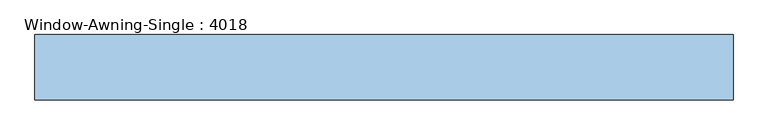
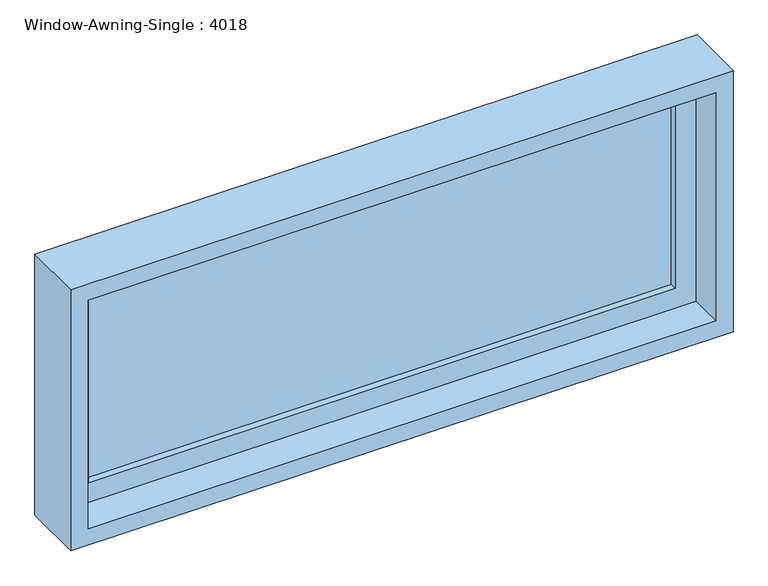
"""IFC4 building model written with IfcOpenShell, lengths in millimetres: window geometry, Window-Awning-Single : 4018."""

from ifc_helpers import new_model, si_unit, frame, origin, place, context, project, spatial, polyline, outline, extrude, faceted_brep, source, transform, mapped, element, save


def window_awning_single_4018_a2ba5c75(model_context):
    return source(origin(), model_context, "Body", "SolidModel", [
        extrude(outline(polyline([(927.1, -596.9), (927.1, 596.9), (1409.7, 596.9), (1409.7, -596.9), (927.1, -596.9)]), holes=[polyline([(1352.55, -539.75), (1352.55, 539.75), (984.25, 539.75), (984.25, -539.75), (1352.55, -539.75)])]), frame((0.0, 53.975, 0.0), z_axis=(0.0, 1.0, 0.0), x_axis=(0.0, 0.0, 1.0)), (0.0, 0.0, 1.0), 44.45),
        extrude(outline(polyline([(539.75, 85.725), (539.75, 79.375), (-539.75, 79.375), (-539.75, 85.725), (539.75, 85.725)])), frame((0.0, 0.0, 984.25), z_axis=(0.0, 0.0, 1.0), x_axis=(1.0, 0.0, 0.0)), (0.0, 0.0, 1.0), 368.3),
        extrude(outline(polyline([(539.75, 73.025), (539.75, 66.675), (-539.75, 66.675), (-539.75, 73.025), (539.75, 73.025)])), frame((0.0, 0.0, 984.25), z_axis=(0.0, 0.0, 1.0), x_axis=(1.0, 0.0, 0.0)), (0.0, 0.0, 1.0), 368.3),
        faceted_brep([(596.9, 53.975, 927.1), (596.9, 104.775, 927.1), (-596.9, 104.775, 927.1), (-596.9, 53.975, 927.1), (577.85, -9.525, 946.15), (577.85, 53.975, 946.15), (-577.85, 53.975, 946.15), (-577.85, -9.525, 946.15), (609.6, 104.775, 914.4), (609.6, -9.525, 914.4), (-609.6, -9.525, 914.4), (-609.6, 104.775, 914.4), (-596.9, 104.775, 1409.7), (-596.9, 53.975, 1409.7), (-577.85, 53.975, 1390.65), (-577.85, -9.525, 1390.65), (-609.6, -9.525, 1422.4), (-609.6, 104.775, 1422.4), (596.9, 104.775, 1409.7), (596.9, 53.975, 1409.7), (577.85, 53.975, 1390.65), (577.85, -9.525, 1390.65), (609.6, -9.525, 1422.4), (609.6, 104.775, 1422.4)], [[[0, 1, 2, 3]], [[4, 5, 6, 7]], [[8, 9, 10, 11]], [[3, 2, 12, 13]], [[7, 6, 14, 15]], [[11, 10, 16, 17]], [[13, 12, 18, 19]], [[15, 14, 20, 21]], [[17, 16, 22, 23]], [[11, 17, 23, 8], [1, 18, 12, 2]], [[19, 18, 1, 0]], [[3, 13, 19, 0], [5, 20, 14, 6]], [[21, 20, 5, 4]], [[9, 22, 16, 10], [7, 15, 21, 4]], [[23, 22, 9, 8]]]),
    ])


if __name__ == "__main__":
    model = new_model("IFC4")
    model_context = context("Model", 3, world=origin())
    ifc_project = project(units=[si_unit("LENGTHUNIT", "METRE", prefix="MILLI")], contexts=[model_context])
    site = spatial("IfcSite", under=ifc_project)
    building = spatial("IfcBuilding", under=site)
    placement = place(None, origin())
    window_awning_single_4018_shape = window_awning_single_4018_a2ba5c75(model_context)
    element("IfcWindow", 1, ObjectType="Window-Awning-Single : 4018", at=placement, inside=building, context=model_context, shape_type="MappedRepresentation", body=[
        mapped(window_awning_single_4018_shape, transform((0.0, 0.0, 0.0), x_axis=(1.0, 0.0, 0.0), y_axis=(0.0, 1.0, 0.0), z_axis=(0.0, 0.0, 1.0))),
    ])
    save(model, "model.ifc")
